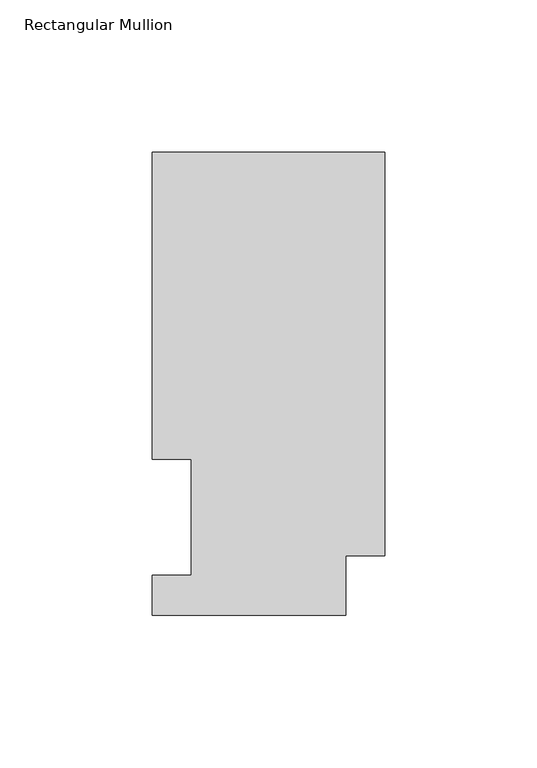
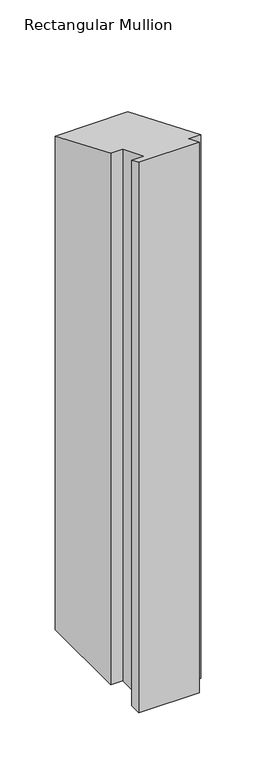
"""IFC4 building model written with IfcOpenShell, lengths in millimetres: member geometry, Rectangular Mullion."""

import ifcopenshell
import ifcopenshell.guid

model = None  # the IFC model being written
_history = None  # IfcOwnerHistory: only IFC2X3 demands one
_inside = {}  # id of a spatial element -> (the spatial element, [elements in it])
_under = {}  # id of a project, library or spatial element -> (it, [spatial elements below it])
_declared = {}  # id of a project -> (the project, [libraries it declares])
_typed = {}  # id of a type object -> (the type object, [elements of that type])
_made_of = {}  # id of a material, layer set ... -> (it, [elements and type objects made of it])


def new_model(schema):
    """Start an empty IFC model of exactly this schema.

    Asked for "IFC4X3", IfcOpenShell would pick the latest addendum, in which some entities
    have other attributes; the version numbers below select the first issue.
    IFC2X3 requires an IfcOwnerHistory on every rooted entity: one is made here for all.
    """
    global model, _history
    if schema == "IFC4X3":
        model = ifcopenshell.file(schema_version=(4, 3, 0, 0))
    else:
        model = ifcopenshell.file(schema=schema)
    _inside.clear()
    _under.clear()
    _declared.clear()
    _typed.clear()
    _made_of.clear()
    _history = None
    if model.schema == "IFC2X3":
        org = make("IfcOrganization", Name="unknown")
        user = make(
            "IfcPersonAndOrganization",
            ThePerson=make("IfcPerson", FamilyName="unknown"),
            TheOrganization=org,
        )
        app = make(
            "IfcApplication",
            ApplicationDeveloper=org,
            Version="unknown",
            ApplicationFullName="unknown",
            ApplicationIdentifier="unknown",
        )
        _history = make(
            "IfcOwnerHistory",
            OwningUser=user,
            OwningApplication=app,
            ChangeAction="ADDED",
            CreationDate=0,
        )
    return model


def make(cls, **values):
    """One entity of the class cls with the attributes given. An attribute that is None is left unset."""
    return model.create_entity(
        cls, **{name: value for name, value in values.items() if value is not None}
    )


def rooted(cls, **values):
    """An entity with a GlobalId (a new one), such as an element, a storey or a relation."""
    return make(cls, GlobalId=ifcopenshell.guid.new(), OwnerHistory=_history, **values)


def si_unit(unit_type, name, prefix=None):
    """IfcSIUnit, for example si_unit("LENGTHUNIT", "METRE", prefix="MILLI")."""
    return make("IfcSIUnit", UnitType=unit_type, Prefix=prefix, Name=name)


def assignment(units):
    """IfcUnitAssignment: the units of a project."""
    return None if units is None else make("IfcUnitAssignment", Units=units)


def point(xyz):
    """IfcCartesianPoint."""
    return None if xyz is None else make("IfcCartesianPoint", Coordinates=xyz)


def direction(xyz):
    """IfcDirection."""
    return None if xyz is None else make("IfcDirection", DirectionRatios=xyz)


def frame(location, z_axis=None, x_axis=None):
    """IfcAxis2Placement3D, a coordinate frame: its origin and axes. An axis left out is left unset."""
    return make(
        "IfcAxis2Placement3D",
        Location=point(location),
        Axis=direction(z_axis),
        RefDirection=direction(x_axis),
    )


def origin():
    """The frame at (0, 0, 0) with its axes left unset."""
    return frame((0.0, 0.0, 0.0))


def place(relative_to, where):
    """IfcLocalPlacement: puts the frame where relative to a parent placement (None: the world)."""
    return make(
        "IfcLocalPlacement", PlacementRelTo=relative_to, RelativePlacement=where
    )


def context(
    kind, dimensions, precision=None, world=None, true_north=None, identifier=None
):
    """IfcGeometricRepresentationContext, for example the 3D "Model" context."""
    return make(
        "IfcGeometricRepresentationContext",
        ContextIdentifier=identifier,
        ContextType=kind,
        CoordinateSpaceDimension=dimensions,
        Precision=precision,
        WorldCoordinateSystem=world,
        TrueNorth=true_north,
    )


def project(units=None, contexts=None):
    """IfcProject with its units and contexts."""
    return rooted(
        "IfcProject",
        Name="project",
        RepresentationContexts=contexts,
        UnitsInContext=assignment(units),
    )


def spatial(cls, under=None, at=None, **own):
    """A site, building, storey or space (cls), placed at a placement, below another one or the project."""
    s = rooted(cls, ObjectPlacement=at, **own)
    if under is not None:
        _under.setdefault(under.id(), (under, []))[1].append(s)
    return s


def faces_of(points, faces, orient=None, outer=None):
    """IfcFace entities. A face is a list of loops; a loop is a list of indices into points, from 0.

    orient and outer hold one flag for each loop. By default every Orientation is true, the
    first loop of a face is its IfcFaceOuterBound and the others are IfcFaceBound.
    """
    made = []
    for i, loops in enumerate(faces):
        bounds = []
        for j, loop in enumerate(loops):
            is_outer = j == 0 if outer is None else outer[i][j]
            bounds.append(
                make(
                    "IfcFaceOuterBound" if is_outer else "IfcFaceBound",
                    Bound=make("IfcPolyLoop", Polygon=[points[k] for k in loop]),
                    Orientation=True if orient is None else orient[i][j],
                )
            )
        made.append(make("IfcFace", Bounds=bounds))
    return made


def faceted_brep(points, faces, orient=None, outer=None, voids=None):
    """IfcFacetedBrep: a solid bounded by flat faces; with voids (closed shells), ...WithVoids."""
    shared = [point(p) for p in points]
    hull = make("IfcClosedShell", CfsFaces=faces_of(shared, faces, orient, outer))
    if voids is None:
        return make("IfcFacetedBrep", Outer=hull)
    return make(
        "IfcFacetedBrepWithVoids",
        Outer=hull,
        Voids=[
            make(cls, CfsFaces=faces_of(shared, fs, o, b)) for cls, fs, o, b in voids
        ],
    )


def shape(context_of_items, identifier, shape_type, items):
    """IfcShapeRepresentation: the items that make up one representation, for example the "Body"."""
    return make(
        "IfcShapeRepresentation",
        ContextOfItems=context_of_items,
        RepresentationIdentifier=identifier,
        RepresentationType=shape_type,
        Items=items,
    )


def source(mapping_origin, context_of_items, identifier, shape_type, items):
    """IfcRepresentationMap: a shape defined once, which mapped items show again and again."""
    return make(
        "IfcRepresentationMap",
        MappingOrigin=mapping_origin,
        MappedRepresentation=shape(context_of_items, identifier, shape_type, items),
    )


def transform(
    local_origin,
    x_axis=None,
    y_axis=None,
    z_axis=None,
    scale=None,
    scale2=None,
    scale3=None,
    uniform=True,
):
    """IfcCartesianTransformationOperator3D, or its non-uniform kind. x_axis, y_axis, z_axis: its Axis1, 2, 3."""
    if uniform:
        return make(
            "IfcCartesianTransformationOperator3D",
            Axis1=direction(x_axis),
            Axis2=direction(y_axis),
            LocalOrigin=point(local_origin),
            Scale=scale,
            Axis3=direction(z_axis),
        )
    return make(
        "IfcCartesianTransformationOperator3DnonUniform",
        Axis1=direction(x_axis),
        Axis2=direction(y_axis),
        LocalOrigin=point(local_origin),
        Scale=scale,
        Axis3=direction(z_axis),
        Scale2=scale2,
        Scale3=scale3,
    )


def mapped(mapping_source, mapping_target):
    """IfcMappedItem: shows the shape of a source again, moved by a transform."""
    return make(
        "IfcMappedItem", MappingSource=mapping_source, MappingTarget=mapping_target
    )


def made_of(thing, what):
    """Note that an element or type object is made of a material, layer set ...; save() writes the relation."""
    if what is not None:
        _made_of.setdefault(what.id(), (what, []))[1].append(thing)
    return thing


def element(
    cls,
    number,
    at=None,
    inside=None,
    cuts=None,
    type_object=None,
    material=None,
    context=None,
    identifier="Body",
    shape_type=None,
    held_by="IfcProductDefinitionShape",
    body=None,
    shapes=None,
    **own,
):
    """One element of the class cls, such as IfcWall. Its Tag is "e" and its number.

    at: its placement. inside: the storey or other place that contains it. cuts: it is an
    opening in that element (IfcRelVoidsElement). A single representation is given by context,
    identifier, shape_type and body (its items); several are given by shapes. held_by: the class
    of the entity that holds the representations. save() writes the other relations.
    """
    e = rooted(cls, Tag="e%d" % number, ObjectPlacement=at, **own)
    if body is not None:
        shapes = [shape(context, identifier, shape_type, body)]
    if shapes is not None:
        e.Representation = make(held_by, Representations=shapes)
    if inside is not None:
        _inside.setdefault(inside.id(), (inside, []))[1].append(e)
    if cuts is not None:
        rooted(
            "IfcRelVoidsElement", RelatingBuildingElement=cuts, RelatedOpeningElement=e
        )
    if type_object is not None:
        _typed.setdefault(type_object.id(), (type_object, []))[1].append(e)
    return made_of(e, material)


def aggregate(whole, parts):
    """IfcRelAggregates: a whole, such as a stair, and the parts it consists of."""
    return rooted("IfcRelAggregates", RelatingObject=whole, RelatedObjects=parts)


def save(model, path):
    """Write the relations noted so far, then the file.

    IfcRelAggregates (storeys below a building ...), IfcRelContainedInSpatialStructure (elements
    in a storey), IfcRelDefinesByType, IfcRelAssociatesMaterial and IfcRelDeclares: one each for
    every whole, place, type object, material and project.
    """
    for whole, parts in _under.values():
        aggregate(whole, parts)
    for where, things in _inside.values():
        rooted(
            "IfcRelContainedInSpatialStructure",
            RelatedElements=things,
            RelatingStructure=where,
        )
    for kind, things in _typed.values():
        rooted("IfcRelDefinesByType", RelatedObjects=things, RelatingType=kind)
    for what, things in _made_of.values():
        rooted("IfcRelAssociatesMaterial", RelatedObjects=things, RelatingMaterial=what)
    for by, libraries in _declared.values():
        rooted("IfcRelDeclares", RelatingContext=by, RelatedDefinitions=libraries)
    model.write(path)


def rectangular_mullion_44fecf4d(model_context):
    return source(origin(), model_context, "Body", "Brep", [
        faceted_brep([(-76.2000004, 151.9054938, -609.587333), (0.0, 151.9054938, -609.587333), (0.0, 19.5460937, -609.587333), (-12.7000004, 19.5460937, -609.587333), (-12.7000004, 0.0134937, -609.587333), (-76.1943324, 0.0134937, -609.587333), (-76.1943324, 13.1960937, -609.587333), (-63.4943324, 13.1960937, -609.587333), (-63.4943324, 51.2960937, -609.587333), (-76.2000004, 51.2960938, -609.587333), (-76.2000004, 51.2960938, -21.2475377), (-76.2000004, 151.9054938, -62.9213157), (-63.4943324, 51.2960937, -21.2475377), (-63.4943324, 13.1960937, -5.466001), (-76.1943324, 13.1960937, -5.466001), (-76.1943324, 0.0134937, -0.0055893), (-12.7000004, 0.0134937, -0.0055893), (-12.7000004, 19.5460937, -8.0962571), (0.0, 19.5460937, -8.0962571), (0.0, 151.9054938, -62.9213157)], [[[0, 1, 2, 3, 4, 5, 6, 7, 8, 9]], [[10, 11, 0, 9]], [[12, 10, 9, 8]], [[13, 12, 8, 7]], [[14, 13, 7, 6]], [[15, 14, 6, 5]], [[16, 15, 5, 4]], [[17, 16, 4, 3]], [[18, 17, 3, 2]], [[19, 18, 2, 1]], [[11, 19, 1, 0]], [[11, 10, 12, 13, 14, 15, 16, 17, 18, 19]]]),
    ])


if __name__ == "__main__":
    model = new_model("IFC4")
    model_context = context("Model", 3, world=origin())
    ifc_project = project(units=[si_unit("LENGTHUNIT", "METRE", prefix="MILLI")], contexts=[model_context])
    site = spatial("IfcSite", under=ifc_project)
    building = spatial("IfcBuilding", under=site)
    placement = place(None, origin())
    rectangular_mullion_shape = rectangular_mullion_44fecf4d(model_context)
    element("IfcMember", 1, ObjectType="Rectangular Mullion", at=placement, inside=building, context=model_context, shape_type="MappedRepresentation", body=[
        mapped(rectangular_mullion_shape, transform((0.0, 0.0, 0.0), x_axis=(1.0, 0.0, 0.0), y_axis=(0.0, 1.0, 0.0), z_axis=(0.0, 0.0, 1.0))),
    ])
    save(model, "model.ifc")
